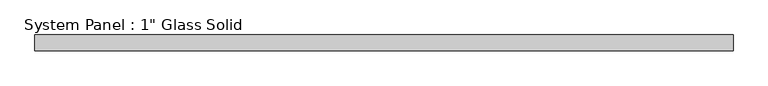
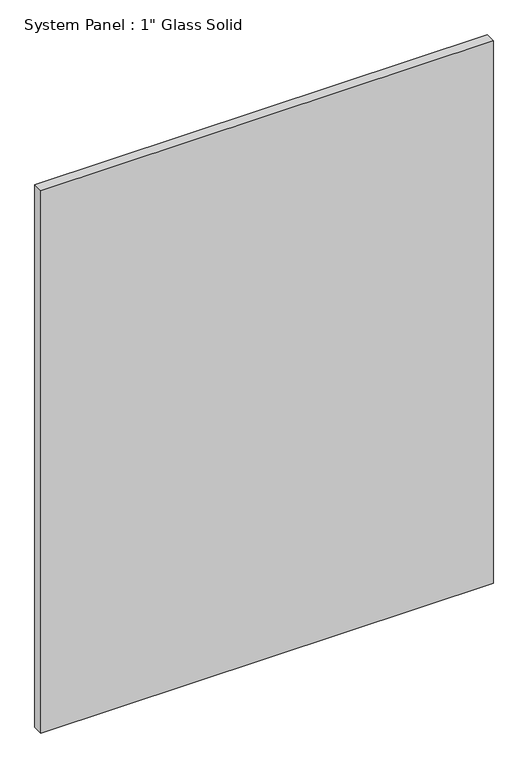
"""IFC4 building model written with IfcOpenShell, lengths in millimetres: plate geometry."""

from ifc_helpers import new_model, si_unit, origin, origin_with_axes, place, context, project, spatial, polyline, outline, extrude, source, transform, mapped, element, save


def plate_c7d99401(model_context):
    return source(origin(), model_context, "Body", "SweptSolid", [
        extrude(outline(polyline([(561.3970691, -12.7), (-561.3970691, -12.7), (-561.3970691, 12.7), (561.3970691, 12.7), (561.3970691, -12.7)])), origin_with_axes(), (0.0, 0.0, 1.0), 1422.2894027),
    ])


if __name__ == "__main__":
    model = new_model("IFC4")
    model_context = context("Model", 3, world=origin())
    ifc_project = project(units=[si_unit("LENGTHUNIT", "METRE", prefix="MILLI")], contexts=[model_context])
    site = spatial("IfcSite", under=ifc_project)
    building = spatial("IfcBuilding", under=site)
    placement = place(None, origin())
    plate_shape = plate_c7d99401(model_context)
    element("IfcPlate", 1, ObjectType="System Panel : 1\" Glass Solid", at=placement, inside=building, context=model_context, shape_type="MappedRepresentation", body=[
        mapped(plate_shape, transform((0.0, 0.0, 0.0), x_axis=(1.0, 0.0, 0.0), y_axis=(0.0, 1.0, 0.0), z_axis=(0.0, 0.0, 1.0))),
    ])
    save(model, "model.ifc")
